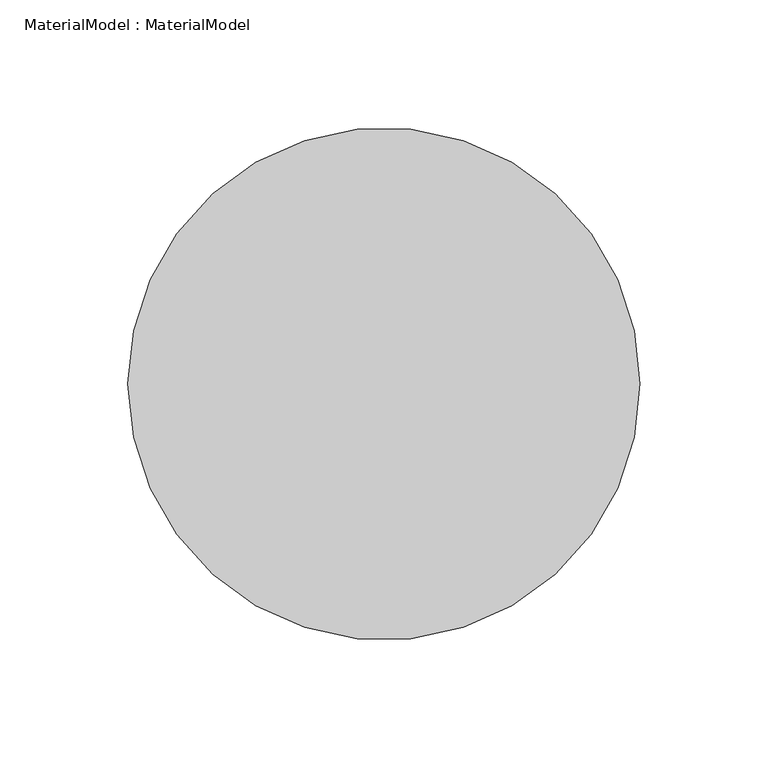
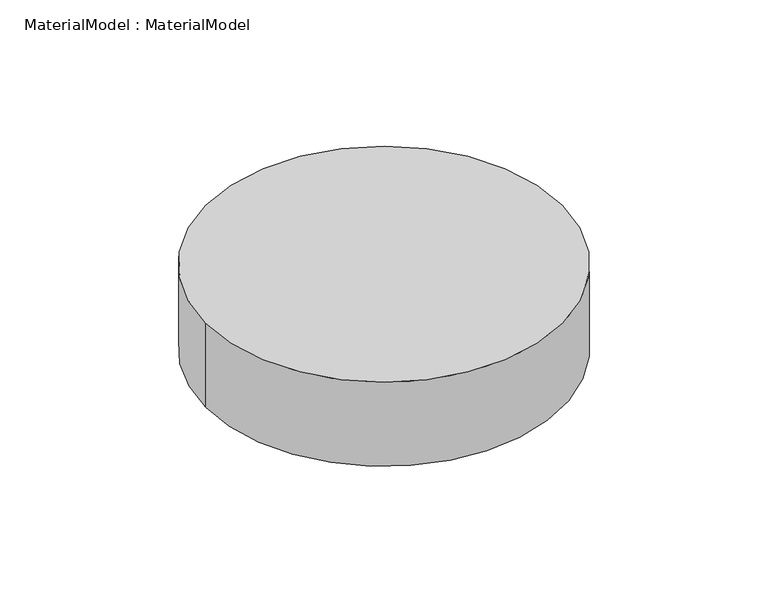
"""IFC4 building model written with IfcOpenShell, lengths in millimetres: proxy geometry, MaterialModel : MaterialModel."""

import ifcopenshell
import ifcopenshell.guid

model = None  # the IFC model being written
_history = None  # IfcOwnerHistory: only IFC2X3 demands one
_inside = {}  # id of a spatial element -> (the spatial element, [elements in it])
_under = {}  # id of a project, library or spatial element -> (it, [spatial elements below it])
_declared = {}  # id of a project -> (the project, [libraries it declares])
_typed = {}  # id of a type object -> (the type object, [elements of that type])
_made_of = {}  # id of a material, layer set ... -> (it, [elements and type objects made of it])


def new_model(schema):
    """Start an empty IFC model of exactly this schema.

    Asked for "IFC4X3", IfcOpenShell would pick the latest addendum, in which some entities
    have other attributes; the version numbers below select the first issue.
    IFC2X3 requires an IfcOwnerHistory on every rooted entity: one is made here for all.
    """
    global model, _history
    if schema == "IFC4X3":
        model = ifcopenshell.file(schema_version=(4, 3, 0, 0))
    else:
        model = ifcopenshell.file(schema=schema)
    _inside.clear()
    _under.clear()
    _declared.clear()
    _typed.clear()
    _made_of.clear()
    _history = None
    if model.schema == "IFC2X3":
        org = make("IfcOrganization", Name="unknown")
        user = make(
            "IfcPersonAndOrganization",
            ThePerson=make("IfcPerson", FamilyName="unknown"),
            TheOrganization=org,
        )
        app = make(
            "IfcApplication",
            ApplicationDeveloper=org,
            Version="unknown",
            ApplicationFullName="unknown",
            ApplicationIdentifier="unknown",
        )
        _history = make(
            "IfcOwnerHistory",
            OwningUser=user,
            OwningApplication=app,
            ChangeAction="ADDED",
            CreationDate=0,
        )
    return model


def make(cls, **values):
    """One entity of the class cls with the attributes given. An attribute that is None is left unset."""
    return model.create_entity(
        cls, **{name: value for name, value in values.items() if value is not None}
    )


def rooted(cls, **values):
    """An entity with a GlobalId (a new one), such as an element, a storey or a relation."""
    return make(cls, GlobalId=ifcopenshell.guid.new(), OwnerHistory=_history, **values)


def si_unit(unit_type, name, prefix=None):
    """IfcSIUnit, for example si_unit("LENGTHUNIT", "METRE", prefix="MILLI")."""
    return make("IfcSIUnit", UnitType=unit_type, Prefix=prefix, Name=name)


def assignment(units):
    """IfcUnitAssignment: the units of a project."""
    return None if units is None else make("IfcUnitAssignment", Units=units)


def point(xyz):
    """IfcCartesianPoint."""
    return None if xyz is None else make("IfcCartesianPoint", Coordinates=xyz)


def direction(xyz):
    """IfcDirection."""
    return None if xyz is None else make("IfcDirection", DirectionRatios=xyz)


def frame(location, z_axis=None, x_axis=None):
    """IfcAxis2Placement3D, a coordinate frame: its origin and axes. An axis left out is left unset."""
    return make(
        "IfcAxis2Placement3D",
        Location=point(location),
        Axis=direction(z_axis),
        RefDirection=direction(x_axis),
    )


def frame_2d(location, x_axis=None):
    """IfcAxis2Placement2D, a coordinate frame in the plane: its origin and x axis."""
    return make(
        "IfcAxis2Placement2D", Location=point(location), RefDirection=direction(x_axis)
    )


def origin():
    """The frame at (0, 0, 0) with its axes left unset."""
    return frame((0.0, 0.0, 0.0))


def origin_with_axes():
    """The frame at (0, 0, 0) with the z axis (0, 0, 1) and the x axis (1, 0, 0) written out."""
    return frame((0.0, 0.0, 0.0), z_axis=(0.0, 0.0, 1.0), x_axis=(1.0, 0.0, 0.0))


def origin_2d():
    """The frame at (0, 0) in the plane with its x axis left unset."""
    return frame_2d((0.0, 0.0))


def place(relative_to, where):
    """IfcLocalPlacement: puts the frame where relative to a parent placement (None: the world)."""
    return make(
        "IfcLocalPlacement", PlacementRelTo=relative_to, RelativePlacement=where
    )


def context(
    kind, dimensions, precision=None, world=None, true_north=None, identifier=None
):
    """IfcGeometricRepresentationContext, for example the 3D "Model" context."""
    return make(
        "IfcGeometricRepresentationContext",
        ContextIdentifier=identifier,
        ContextType=kind,
        CoordinateSpaceDimension=dimensions,
        Precision=precision,
        WorldCoordinateSystem=world,
        TrueNorth=true_north,
    )


def project(units=None, contexts=None):
    """IfcProject with its units and contexts."""
    return rooted(
        "IfcProject",
        Name="project",
        RepresentationContexts=contexts,
        UnitsInContext=assignment(units),
    )


def spatial(cls, under=None, at=None, **own):
    """A site, building, storey or space (cls), placed at a placement, below another one or the project."""
    s = rooted(cls, ObjectPlacement=at, **own)
    if under is not None:
        _under.setdefault(under.id(), (under, []))[1].append(s)
    return s


def circle_curve(where, radius):
    """IfcCircle in the frame where."""
    return make("IfcCircle", Position=where, Radius=radius)


def trimmed(basis, trim1, trim2, sense, master):
    """IfcTrimmedCurve: the piece of a basis curve between two trims."""
    return make(
        "IfcTrimmedCurve",
        BasisCurve=basis,
        Trim1=trim1,
        Trim2=trim2,
        SenseAgreement=sense,
        MasterRepresentation=master,
    )


def segment(curve, same_sense, transition):
    """IfcCompositeCurveSegment."""
    return make(
        "IfcCompositeCurveSegment",
        Transition=transition,
        SameSense=same_sense,
        ParentCurve=curve,
    )


def composite_curve(segments, self_intersect=None):
    """IfcCompositeCurve: segments joined end to end."""
    return make("IfcCompositeCurve", Segments=segments, SelfIntersect=self_intersect)


def outline(outer, holes=None, kind="AREA"):
    """IfcArbitraryClosedProfileDef: a profile drawn as a closed curve; with holes, ...WithVoids."""
    if holes is None:
        return make("IfcArbitraryClosedProfileDef", ProfileType=kind, OuterCurve=outer)
    return make(
        "IfcArbitraryProfileDefWithVoids",
        ProfileType=kind,
        OuterCurve=outer,
        InnerCurves=holes,
    )


def extrude(swept, where, along, depth):
    """IfcExtrudedAreaSolid: the profile swept, set in the frame where, extruded along a direction by depth."""
    return make(
        "IfcExtrudedAreaSolid",
        SweptArea=swept,
        Position=where,
        ExtrudedDirection=direction(along),
        Depth=depth,
    )


def shape(context_of_items, identifier, shape_type, items):
    """IfcShapeRepresentation: the items that make up one representation, for example the "Body"."""
    return make(
        "IfcShapeRepresentation",
        ContextOfItems=context_of_items,
        RepresentationIdentifier=identifier,
        RepresentationType=shape_type,
        Items=items,
    )


def source(mapping_origin, context_of_items, identifier, shape_type, items):
    """IfcRepresentationMap: a shape defined once, which mapped items show again and again."""
    return make(
        "IfcRepresentationMap",
        MappingOrigin=mapping_origin,
        MappedRepresentation=shape(context_of_items, identifier, shape_type, items),
    )


def transform(
    local_origin,
    x_axis=None,
    y_axis=None,
    z_axis=None,
    scale=None,
    scale2=None,
    scale3=None,
    uniform=True,
):
    """IfcCartesianTransformationOperator3D, or its non-uniform kind. x_axis, y_axis, z_axis: its Axis1, 2, 3."""
    if uniform:
        return make(
            "IfcCartesianTransformationOperator3D",
            Axis1=direction(x_axis),
            Axis2=direction(y_axis),
            LocalOrigin=point(local_origin),
            Scale=scale,
            Axis3=direction(z_axis),
        )
    return make(
        "IfcCartesianTransformationOperator3DnonUniform",
        Axis1=direction(x_axis),
        Axis2=direction(y_axis),
        LocalOrigin=point(local_origin),
        Scale=scale,
        Axis3=direction(z_axis),
        Scale2=scale2,
        Scale3=scale3,
    )


def mapped(mapping_source, mapping_target):
    """IfcMappedItem: shows the shape of a source again, moved by a transform."""
    return make(
        "IfcMappedItem", MappingSource=mapping_source, MappingTarget=mapping_target
    )


def made_of(thing, what):
    """Note that an element or type object is made of a material, layer set ...; save() writes the relation."""
    if what is not None:
        _made_of.setdefault(what.id(), (what, []))[1].append(thing)
    return thing


def element(
    cls,
    number,
    at=None,
    inside=None,
    cuts=None,
    type_object=None,
    material=None,
    context=None,
    identifier="Body",
    shape_type=None,
    held_by="IfcProductDefinitionShape",
    body=None,
    shapes=None,
    **own,
):
    """One element of the class cls, such as IfcWall. Its Tag is "e" and its number.

    at: its placement. inside: the storey or other place that contains it. cuts: it is an
    opening in that element (IfcRelVoidsElement). A single representation is given by context,
    identifier, shape_type and body (its items); several are given by shapes. held_by: the class
    of the entity that holds the representations. save() writes the other relations.
    """
    e = rooted(cls, Tag="e%d" % number, ObjectPlacement=at, **own)
    if body is not None:
        shapes = [shape(context, identifier, shape_type, body)]
    if shapes is not None:
        e.Representation = make(held_by, Representations=shapes)
    if inside is not None:
        _inside.setdefault(inside.id(), (inside, []))[1].append(e)
    if cuts is not None:
        rooted(
            "IfcRelVoidsElement", RelatingBuildingElement=cuts, RelatedOpeningElement=e
        )
    if type_object is not None:
        _typed.setdefault(type_object.id(), (type_object, []))[1].append(e)
    return made_of(e, material)


def aggregate(whole, parts):
    """IfcRelAggregates: a whole, such as a stair, and the parts it consists of."""
    return rooted("IfcRelAggregates", RelatingObject=whole, RelatedObjects=parts)


def save(model, path):
    """Write the relations noted so far, then the file.

    IfcRelAggregates (storeys below a building ...), IfcRelContainedInSpatialStructure (elements
    in a storey), IfcRelDefinesByType, IfcRelAssociatesMaterial and IfcRelDeclares: one each for
    every whole, place, type object, material and project.
    """
    for whole, parts in _under.values():
        aggregate(whole, parts)
    for where, things in _inside.values():
        rooted(
            "IfcRelContainedInSpatialStructure",
            RelatedElements=things,
            RelatingStructure=where,
        )
    for kind, things in _typed.values():
        rooted("IfcRelDefinesByType", RelatedObjects=things, RelatingType=kind)
    for what, things in _made_of.values():
        rooted("IfcRelAssociatesMaterial", RelatedObjects=things, RelatingMaterial=what)
    for by, libraries in _declared.values():
        rooted("IfcRelDeclares", RelatingContext=by, RelatedDefinitions=libraries)
    model.write(path)


def materialmodel_materialmodel_e3ff200a(model_context):
    return source(origin(), model_context, "Body", "SweptSolid", [
        extrude(outline(composite_curve([segment(trimmed(circle_curve(origin_2d(), 100.0), [point((-100.0, 0.0))], [point((100.0, 0.0))], False, "CARTESIAN"), True, "CONTINUOUS"), segment(trimmed(circle_curve(origin_2d(), 100.0), [point((100.0, 0.0))], [point((-100.0, 0.0))], False, "CARTESIAN"), True, "CONTINUOUS")], self_intersect=False)), origin_with_axes(), (0.0, 0.0, 1.0), 50.0),
    ])


if __name__ == "__main__":
    model = new_model("IFC4")
    model_context = context("Model", 3, world=origin())
    ifc_project = project(units=[si_unit("LENGTHUNIT", "METRE", prefix="MILLI")], contexts=[model_context])
    site = spatial("IfcSite", under=ifc_project)
    building = spatial("IfcBuilding", under=site)
    placement = place(None, origin())
    materialmodel_materialmodel_shape = materialmodel_materialmodel_e3ff200a(model_context)
    element("IfcBuildingElementProxy", 1, Name="MaterialModel : MaterialModel", ObjectType="MaterialModel : MaterialModel", at=placement, inside=building, context=model_context, shape_type="MappedRepresentation", body=[
        mapped(materialmodel_materialmodel_shape, transform((0.0, 0.0, 0.0), x_axis=(1.0, 0.0, 0.0), y_axis=(0.0, 1.0, 0.0), z_axis=(0.0, 0.0, 1.0))),
    ])
    save(model, "model.ifc")
